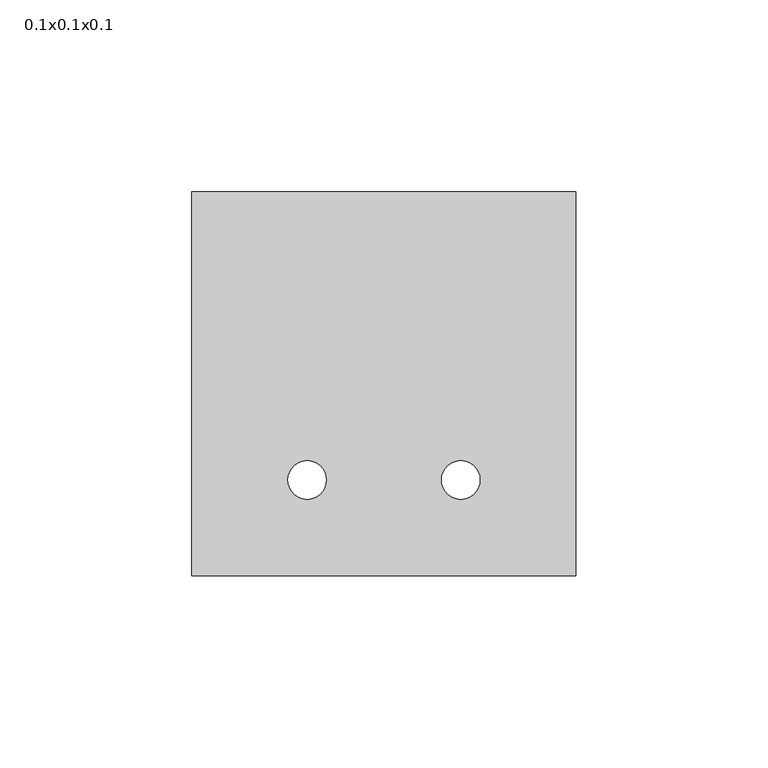
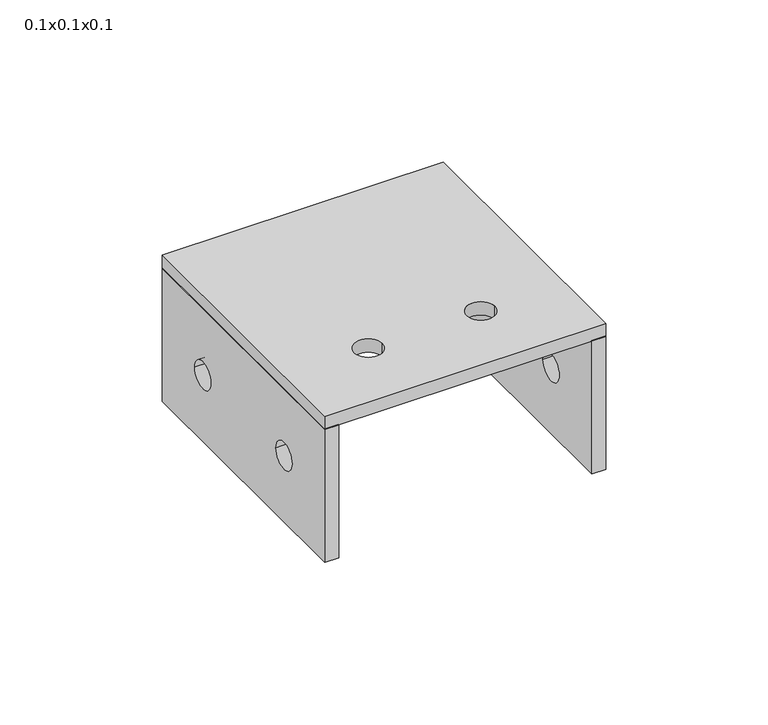
"""IFC4 building model written with IfcOpenShell, lengths in millimetres: proxy geometry, 0.1x0.1x0.1."""

from ifc_helpers import new_model, si_unit, point, frame, frame_2d, origin, origin_with_axes, place, context, project, spatial, polyline, circle_curve, trimmed, segment, composite_curve, outline, extrude, source, transform, mapped, element, save


def proxy_0_1x0_1x0_1_e4dce01a(model_context):
    return source(origin(), model_context, "Body", "SweptSolid", [
        extrude(outline(polyline([(100.0, -50.0), (0.0, -50.0), (0.0, 0.0), (100.0, 0.0), (100.0, -50.0)]), holes=[composite_curve([segment(trimmed(circle_curve(frame_2d((25.0, -25.0)), 5.0), [point((20.0, -25.0))], [point((30.0, -25.0))], True, "CARTESIAN"), True, "CONTINUOUS"), segment(trimmed(circle_curve(frame_2d((25.0, -25.0)), 5.0), [point((30.0, -25.0))], [point((20.0, -25.0))], True, "CARTESIAN"), True, "CONTINUOUS")], self_intersect=False), composite_curve([segment(trimmed(circle_curve(frame_2d((75.0, -25.0)), 5.0), [point((70.0, -25.0))], [point((80.0, -25.0))], True, "CARTESIAN"), True, "CONTINUOUS"), segment(trimmed(circle_curve(frame_2d((75.0, -25.0)), 5.0), [point((80.0, -25.0))], [point((70.0, -25.0))], True, "CARTESIAN"), True, "CONTINUOUS")], self_intersect=False)]), frame((0.0, 0.0, 0.0), z_axis=(1.0, 0.0, 0.0), x_axis=(0.0, 1.0, 0.0)), (0.0, 0.0, 1.0), 5.0),
        extrude(outline(polyline([(100.0, -50.0), (0.0, -50.0), (0.0, 0.0), (100.0, 0.0), (100.0, -50.0)]), holes=[composite_curve([segment(trimmed(circle_curve(frame_2d((25.0, -25.0)), 5.0), [point((20.0, -25.0))], [point((30.0, -25.0))], True, "CARTESIAN"), True, "CONTINUOUS"), segment(trimmed(circle_curve(frame_2d((25.0, -25.0)), 5.0), [point((30.0, -25.0))], [point((20.0, -25.0))], True, "CARTESIAN"), True, "CONTINUOUS")], self_intersect=False), composite_curve([segment(trimmed(circle_curve(frame_2d((75.0, -25.0)), 5.0), [point((70.0, -25.0))], [point((80.0, -25.0))], True, "CARTESIAN"), True, "CONTINUOUS"), segment(trimmed(circle_curve(frame_2d((75.0, -25.0)), 5.0), [point((80.0, -25.0))], [point((70.0, -25.0))], True, "CARTESIAN"), True, "CONTINUOUS")], self_intersect=False)]), frame((95.0, 0.0, 0.0), z_axis=(1.0, 0.0, 0.0), x_axis=(0.0, 1.0, 0.0)), (0.0, 0.0, 1.0), 5.0),
        extrude(outline(polyline([(100.0, 100.0), (100.0, 0.0), (0.0, 0.0), (0.0, 100.0), (100.0, 100.0)]), holes=[composite_curve([segment(trimmed(circle_curve(frame_2d((30.0, 25.0)), 5.0), [point((25.0, 25.0))], [point((35.0, 25.0))], True, "CARTESIAN"), True, "CONTINUOUS"), segment(trimmed(circle_curve(frame_2d((30.0, 25.0)), 5.0), [point((35.0, 25.0))], [point((25.0, 25.0))], True, "CARTESIAN"), True, "CONTINUOUS")], self_intersect=False), composite_curve([segment(trimmed(circle_curve(frame_2d((70.0, 25.0)), 5.0), [point((65.0, 25.0))], [point((75.0, 25.0))], True, "CARTESIAN"), True, "CONTINUOUS"), segment(trimmed(circle_curve(frame_2d((70.0, 25.0)), 5.0), [point((75.0, 25.0))], [point((65.0, 25.0))], True, "CARTESIAN"), True, "CONTINUOUS")], self_intersect=False)]), origin_with_axes(), (0.0, 0.0, 1.0), 5.0),
    ])


if __name__ == "__main__":
    model = new_model("IFC4")
    model_context = context("Model", 3, world=origin())
    ifc_project = project(units=[si_unit("LENGTHUNIT", "METRE", prefix="MILLI")], contexts=[model_context])
    site = spatial("IfcSite", under=ifc_project)
    building = spatial("IfcBuilding", under=site)
    placement = place(None, origin())
    proxy_0_1x0_1x0_1_shape = proxy_0_1x0_1x0_1_e4dce01a(model_context)
    element("IfcBuildingElementProxy", 1, Name="0.1x0.1x0.1", ObjectType="0.1x0.1x0.1", at=placement, inside=building, context=model_context, shape_type="MappedRepresentation", body=[
        mapped(proxy_0_1x0_1x0_1_shape, transform((0.0, 0.0, 0.0), x_axis=(1.0, 0.0, 0.0), y_axis=(0.0, 1.0, 0.0), z_axis=(0.0, 0.0, 1.0))),
    ])
    save(model, "model.ifc")
